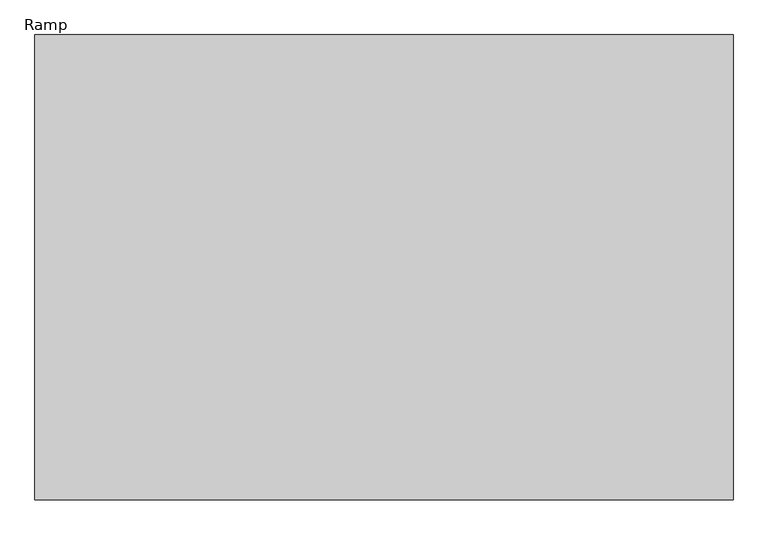
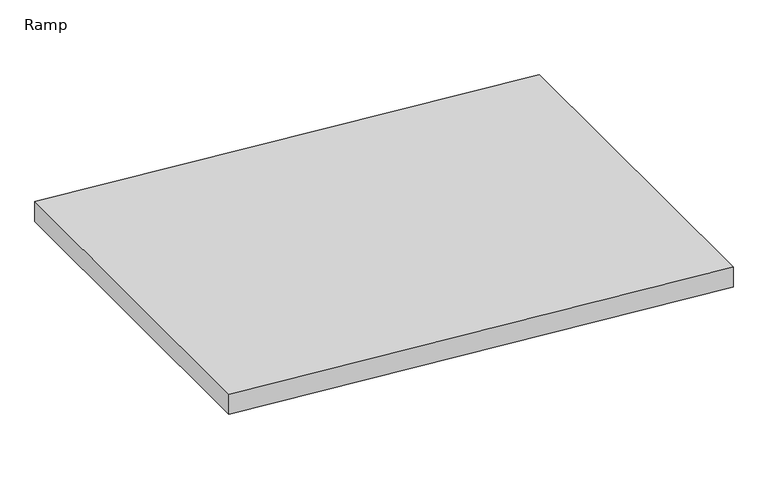
"""IFC4 building model written with IfcOpenShell, lengths in millimetres: ramp geometry, Ramp."""

import ifcopenshell
import ifcopenshell.guid

model = None  # the IFC model being written
_history = None  # IfcOwnerHistory: only IFC2X3 demands one
_inside = {}  # id of a spatial element -> (the spatial element, [elements in it])
_under = {}  # id of a project, library or spatial element -> (it, [spatial elements below it])
_declared = {}  # id of a project -> (the project, [libraries it declares])
_typed = {}  # id of a type object -> (the type object, [elements of that type])
_made_of = {}  # id of a material, layer set ... -> (it, [elements and type objects made of it])


def new_model(schema):
    """Start an empty IFC model of exactly this schema.

    Asked for "IFC4X3", IfcOpenShell would pick the latest addendum, in which some entities
    have other attributes; the version numbers below select the first issue.
    IFC2X3 requires an IfcOwnerHistory on every rooted entity: one is made here for all.
    """
    global model, _history
    if schema == "IFC4X3":
        model = ifcopenshell.file(schema_version=(4, 3, 0, 0))
    else:
        model = ifcopenshell.file(schema=schema)
    _inside.clear()
    _under.clear()
    _declared.clear()
    _typed.clear()
    _made_of.clear()
    _history = None
    if model.schema == "IFC2X3":
        org = make("IfcOrganization", Name="unknown")
        user = make(
            "IfcPersonAndOrganization",
            ThePerson=make("IfcPerson", FamilyName="unknown"),
            TheOrganization=org,
        )
        app = make(
            "IfcApplication",
            ApplicationDeveloper=org,
            Version="unknown",
            ApplicationFullName="unknown",
            ApplicationIdentifier="unknown",
        )
        _history = make(
            "IfcOwnerHistory",
            OwningUser=user,
            OwningApplication=app,
            ChangeAction="ADDED",
            CreationDate=0,
        )
    return model


def make(cls, **values):
    """One entity of the class cls with the attributes given. An attribute that is None is left unset."""
    return model.create_entity(
        cls, **{name: value for name, value in values.items() if value is not None}
    )


def rooted(cls, **values):
    """An entity with a GlobalId (a new one), such as an element, a storey or a relation."""
    return make(cls, GlobalId=ifcopenshell.guid.new(), OwnerHistory=_history, **values)


def si_unit(unit_type, name, prefix=None):
    """IfcSIUnit, for example si_unit("LENGTHUNIT", "METRE", prefix="MILLI")."""
    return make("IfcSIUnit", UnitType=unit_type, Prefix=prefix, Name=name)


def assignment(units):
    """IfcUnitAssignment: the units of a project."""
    return None if units is None else make("IfcUnitAssignment", Units=units)


def point(xyz):
    """IfcCartesianPoint."""
    return None if xyz is None else make("IfcCartesianPoint", Coordinates=xyz)


def direction(xyz):
    """IfcDirection."""
    return None if xyz is None else make("IfcDirection", DirectionRatios=xyz)


def frame(location, z_axis=None, x_axis=None):
    """IfcAxis2Placement3D, a coordinate frame: its origin and axes. An axis left out is left unset."""
    return make(
        "IfcAxis2Placement3D",
        Location=point(location),
        Axis=direction(z_axis),
        RefDirection=direction(x_axis),
    )


def origin():
    """The frame at (0, 0, 0) with its axes left unset."""
    return frame((0.0, 0.0, 0.0))


def place(relative_to, where):
    """IfcLocalPlacement: puts the frame where relative to a parent placement (None: the world)."""
    return make(
        "IfcLocalPlacement", PlacementRelTo=relative_to, RelativePlacement=where
    )


def context(
    kind, dimensions, precision=None, world=None, true_north=None, identifier=None
):
    """IfcGeometricRepresentationContext, for example the 3D "Model" context."""
    return make(
        "IfcGeometricRepresentationContext",
        ContextIdentifier=identifier,
        ContextType=kind,
        CoordinateSpaceDimension=dimensions,
        Precision=precision,
        WorldCoordinateSystem=world,
        TrueNorth=true_north,
    )


def project(units=None, contexts=None):
    """IfcProject with its units and contexts."""
    return rooted(
        "IfcProject",
        Name="project",
        RepresentationContexts=contexts,
        UnitsInContext=assignment(units),
    )


def spatial(cls, under=None, at=None, **own):
    """A site, building, storey or space (cls), placed at a placement, below another one or the project."""
    s = rooted(cls, ObjectPlacement=at, **own)
    if under is not None:
        _under.setdefault(under.id(), (under, []))[1].append(s)
    return s


def polyline(points):
    """IfcPolyline through the points."""
    return make("IfcPolyline", Points=[point(p) for p in points])


def outline(outer, holes=None, kind="AREA"):
    """IfcArbitraryClosedProfileDef: a profile drawn as a closed curve; with holes, ...WithVoids."""
    if holes is None:
        return make("IfcArbitraryClosedProfileDef", ProfileType=kind, OuterCurve=outer)
    return make(
        "IfcArbitraryProfileDefWithVoids",
        ProfileType=kind,
        OuterCurve=outer,
        InnerCurves=holes,
    )


def extrude(swept, where, along, depth):
    """IfcExtrudedAreaSolid: the profile swept, set in the frame where, extruded along a direction by depth."""
    return make(
        "IfcExtrudedAreaSolid",
        SweptArea=swept,
        Position=where,
        ExtrudedDirection=direction(along),
        Depth=depth,
    )


def shape(context_of_items, identifier, shape_type, items):
    """IfcShapeRepresentation: the items that make up one representation, for example the "Body"."""
    return make(
        "IfcShapeRepresentation",
        ContextOfItems=context_of_items,
        RepresentationIdentifier=identifier,
        RepresentationType=shape_type,
        Items=items,
    )


def source(mapping_origin, context_of_items, identifier, shape_type, items):
    """IfcRepresentationMap: a shape defined once, which mapped items show again and again."""
    return make(
        "IfcRepresentationMap",
        MappingOrigin=mapping_origin,
        MappedRepresentation=shape(context_of_items, identifier, shape_type, items),
    )


def transform(
    local_origin,
    x_axis=None,
    y_axis=None,
    z_axis=None,
    scale=None,
    scale2=None,
    scale3=None,
    uniform=True,
):
    """IfcCartesianTransformationOperator3D, or its non-uniform kind. x_axis, y_axis, z_axis: its Axis1, 2, 3."""
    if uniform:
        return make(
            "IfcCartesianTransformationOperator3D",
            Axis1=direction(x_axis),
            Axis2=direction(y_axis),
            LocalOrigin=point(local_origin),
            Scale=scale,
            Axis3=direction(z_axis),
        )
    return make(
        "IfcCartesianTransformationOperator3DnonUniform",
        Axis1=direction(x_axis),
        Axis2=direction(y_axis),
        LocalOrigin=point(local_origin),
        Scale=scale,
        Axis3=direction(z_axis),
        Scale2=scale2,
        Scale3=scale3,
    )


def mapped(mapping_source, mapping_target):
    """IfcMappedItem: shows the shape of a source again, moved by a transform."""
    return make(
        "IfcMappedItem", MappingSource=mapping_source, MappingTarget=mapping_target
    )


def made_of(thing, what):
    """Note that an element or type object is made of a material, layer set ...; save() writes the relation."""
    if what is not None:
        _made_of.setdefault(what.id(), (what, []))[1].append(thing)
    return thing


def element(
    cls,
    number,
    at=None,
    inside=None,
    cuts=None,
    type_object=None,
    material=None,
    context=None,
    identifier="Body",
    shape_type=None,
    held_by="IfcProductDefinitionShape",
    body=None,
    shapes=None,
    **own,
):
    """One element of the class cls, such as IfcWall. Its Tag is "e" and its number.

    at: its placement. inside: the storey or other place that contains it. cuts: it is an
    opening in that element (IfcRelVoidsElement). A single representation is given by context,
    identifier, shape_type and body (its items); several are given by shapes. held_by: the class
    of the entity that holds the representations. save() writes the other relations.
    """
    e = rooted(cls, Tag="e%d" % number, ObjectPlacement=at, **own)
    if body is not None:
        shapes = [shape(context, identifier, shape_type, body)]
    if shapes is not None:
        e.Representation = make(held_by, Representations=shapes)
    if inside is not None:
        _inside.setdefault(inside.id(), (inside, []))[1].append(e)
    if cuts is not None:
        rooted(
            "IfcRelVoidsElement", RelatingBuildingElement=cuts, RelatedOpeningElement=e
        )
    if type_object is not None:
        _typed.setdefault(type_object.id(), (type_object, []))[1].append(e)
    return made_of(e, material)


def aggregate(whole, parts):
    """IfcRelAggregates: a whole, such as a stair, and the parts it consists of."""
    return rooted("IfcRelAggregates", RelatingObject=whole, RelatedObjects=parts)


def save(model, path):
    """Write the relations noted so far, then the file.

    IfcRelAggregates (storeys below a building ...), IfcRelContainedInSpatialStructure (elements
    in a storey), IfcRelDefinesByType, IfcRelAssociatesMaterial and IfcRelDeclares: one each for
    every whole, place, type object, material and project.
    """
    for whole, parts in _under.values():
        aggregate(whole, parts)
    for where, things in _inside.values():
        rooted(
            "IfcRelContainedInSpatialStructure",
            RelatedElements=things,
            RelatingStructure=where,
        )
    for kind, things in _typed.values():
        rooted("IfcRelDefinesByType", RelatedObjects=things, RelatingType=kind)
    for what, things in _made_of.values():
        rooted("IfcRelAssociatesMaterial", RelatedObjects=things, RelatingMaterial=what)
    for by, libraries in _declared.values():
        rooted("IfcRelDeclares", RelatingContext=by, RelatedDefinitions=libraries)
    model.write(path)


def ramp_f6298f23(model_context):
    return source(origin(), model_context, "Body", "SweptSolid", [
        extrude(outline(polyline([(0.0, 51984.753484), (152.4, 50155.953484), (75.9358744, 50155.953484), (-76.4641256, 51984.753484), (0.0, 51984.753484)])), frame((0.0, -16061.3551669, 0.0), z_axis=(0.0, 1.0, 0.0), x_axis=(0.0, 0.0, 1.0)), (0.0, 0.0, 1.0), 1219.2),
    ])


if __name__ == "__main__":
    model = new_model("IFC4")
    model_context = context("Model", 3, world=origin())
    ifc_project = project(units=[si_unit("LENGTHUNIT", "METRE", prefix="MILLI")], contexts=[model_context])
    site = spatial("IfcSite", under=ifc_project)
    building = spatial("IfcBuilding", under=site)
    placement = place(None, origin())
    ramp_shape = ramp_f6298f23(model_context)
    element("IfcRamp", 1, ObjectType="Ramp", at=placement, inside=building, context=model_context, shape_type="MappedRepresentation", body=[
        mapped(ramp_shape, transform((0.0, 0.0, 0.0), x_axis=(1.0, 0.0, 0.0), y_axis=(0.0, 1.0, 0.0), z_axis=(0.0, 0.0, 1.0))),
    ])
    save(model, "model.ifc")
